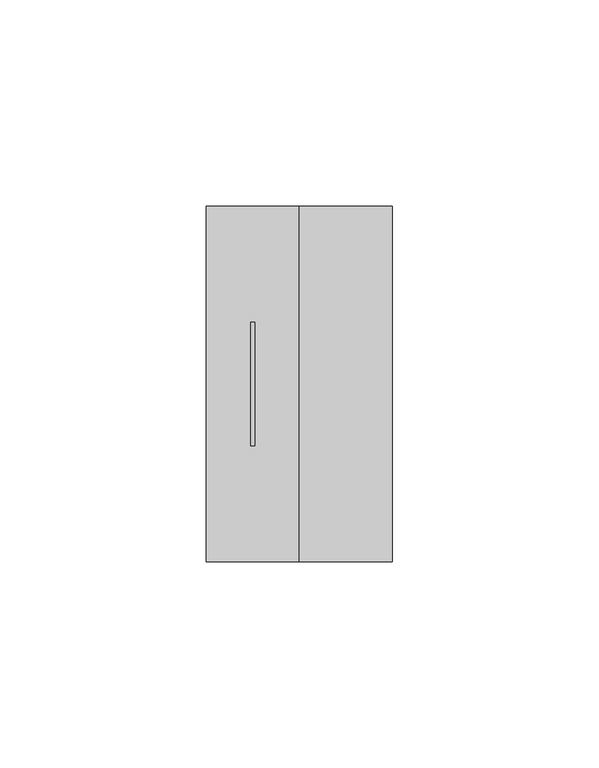
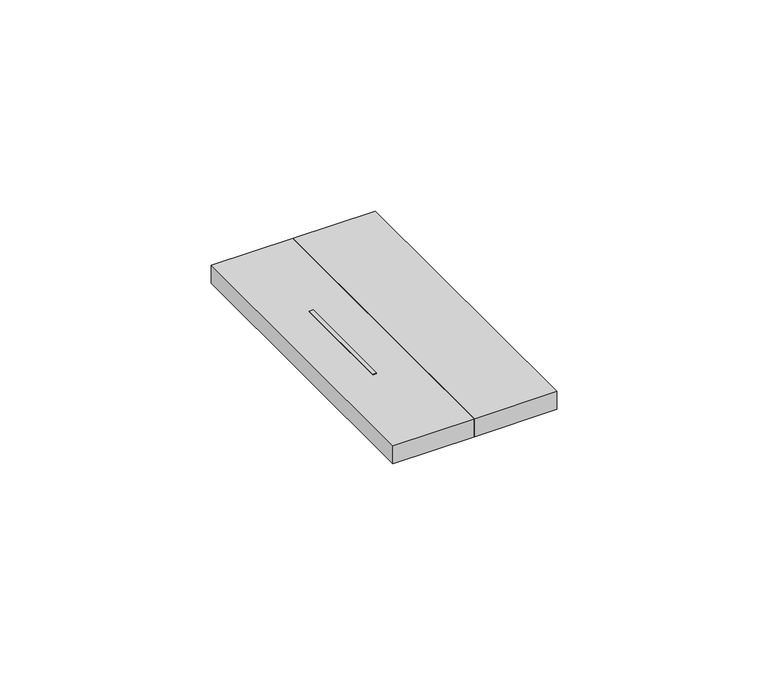
"""IFC4 building model written with IfcOpenShell, lengths in millimetres: proxy geometry."""

from ifc_helpers import new_model, si_unit, frame, origin, place, context, project, spatial, polyline, outline, extrude, source, transform, mapped, element, save


def electrical_fixtures_fc1ffd11(model_context):
    return source(origin(), model_context, "Body", "SweptSolid", [
        extrude(outline(polyline([(22.5, 0.0), (22.5, 86.0), (45.0, 86.0), (45.0, 0.0), (22.5, 0.0)])), frame((0.0, 0.0, 5.5), z_axis=(0.0, 0.0, 1.0), x_axis=(1.0, 0.0, 0.0)), (0.0, 0.0, 1.0), 5.2),
        extrude(outline(polyline([(10.75, 58.0), (11.75, 58.0), (11.75, 28.0), (10.75, 28.0), (10.75, 58.0)])), frame((0.0, 0.0, 5.5), z_axis=(0.0, 0.0, 1.0), x_axis=(1.0, 0.0, 0.0)), (0.0, 0.0, 1.0), 5.2),
        extrude(outline(polyline([(0.0, 0.0), (0.0, 86.0), (22.5, 86.0), (22.5, 0.0), (0.0, 0.0)]), holes=[polyline([(10.75, 58.0), (10.75, 28.0), (11.75, 28.0), (11.75, 58.0), (10.75, 58.0)])]), frame((0.0, 0.0, 5.5), z_axis=(0.0, 0.0, 1.0), x_axis=(1.0, 0.0, 0.0)), (0.0, 0.0, 1.0), 5.2),
    ])


if __name__ == "__main__":
    model = new_model("IFC4")
    model_context = context("Model", 3, world=origin())
    ifc_project = project(units=[si_unit("LENGTHUNIT", "METRE", prefix="MILLI")], contexts=[model_context])
    site = spatial("IfcSite", under=ifc_project)
    building = spatial("IfcBuilding", under=site)
    placement = place(None, origin())
    electrical_fixtures_shape = electrical_fixtures_fc1ffd11(model_context)
    element("IfcBuildingElementProxy", 1, Name="Electrical Fixtures", at=placement, inside=building, context=model_context, shape_type="MappedRepresentation", body=[
        mapped(electrical_fixtures_shape, transform((0.0, 0.0, 0.0), x_axis=(1.0, 0.0, 0.0), y_axis=(0.0, 1.0, 0.0), z_axis=(0.0, 0.0, 1.0))),
    ])
    save(model, "model.ifc")
